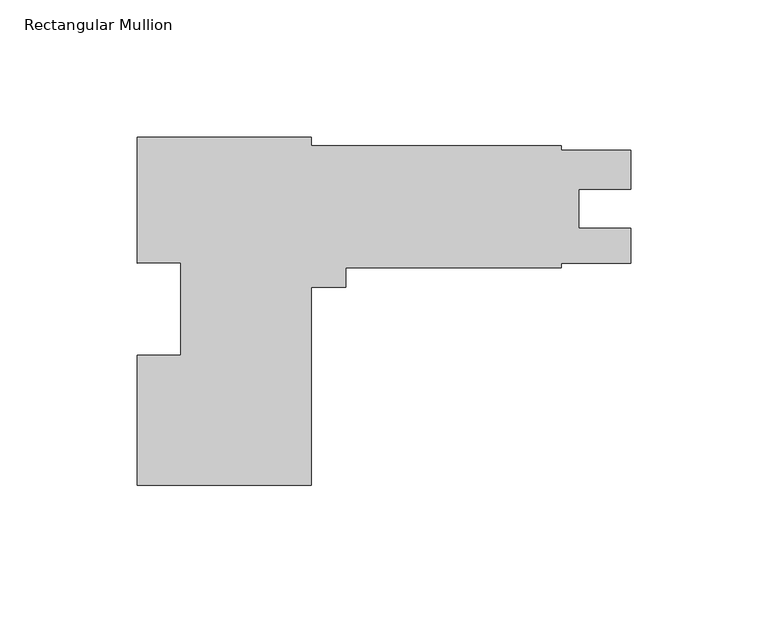
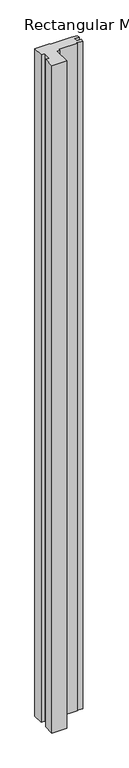
"""IFC4 building model written with IfcOpenShell, lengths in millimetres: member geometry, Rectangular Mullion."""

import ifcopenshell
import ifcopenshell.guid

model = None  # the IFC model being written
_history = None  # IfcOwnerHistory: only IFC2X3 demands one
_inside = {}  # id of a spatial element -> (the spatial element, [elements in it])
_under = {}  # id of a project, library or spatial element -> (it, [spatial elements below it])
_declared = {}  # id of a project -> (the project, [libraries it declares])
_typed = {}  # id of a type object -> (the type object, [elements of that type])
_made_of = {}  # id of a material, layer set ... -> (it, [elements and type objects made of it])


def new_model(schema):
    """Start an empty IFC model of exactly this schema.

    Asked for "IFC4X3", IfcOpenShell would pick the latest addendum, in which some entities
    have other attributes; the version numbers below select the first issue.
    IFC2X3 requires an IfcOwnerHistory on every rooted entity: one is made here for all.
    """
    global model, _history
    if schema == "IFC4X3":
        model = ifcopenshell.file(schema_version=(4, 3, 0, 0))
    else:
        model = ifcopenshell.file(schema=schema)
    _inside.clear()
    _under.clear()
    _declared.clear()
    _typed.clear()
    _made_of.clear()
    _history = None
    if model.schema == "IFC2X3":
        org = make("IfcOrganization", Name="unknown")
        user = make(
            "IfcPersonAndOrganization",
            ThePerson=make("IfcPerson", FamilyName="unknown"),
            TheOrganization=org,
        )
        app = make(
            "IfcApplication",
            ApplicationDeveloper=org,
            Version="unknown",
            ApplicationFullName="unknown",
            ApplicationIdentifier="unknown",
        )
        _history = make(
            "IfcOwnerHistory",
            OwningUser=user,
            OwningApplication=app,
            ChangeAction="ADDED",
            CreationDate=0,
        )
    return model


def make(cls, **values):
    """One entity of the class cls with the attributes given. An attribute that is None is left unset."""
    return model.create_entity(
        cls, **{name: value for name, value in values.items() if value is not None}
    )


def rooted(cls, **values):
    """An entity with a GlobalId (a new one), such as an element, a storey or a relation."""
    return make(cls, GlobalId=ifcopenshell.guid.new(), OwnerHistory=_history, **values)


def si_unit(unit_type, name, prefix=None):
    """IfcSIUnit, for example si_unit("LENGTHUNIT", "METRE", prefix="MILLI")."""
    return make("IfcSIUnit", UnitType=unit_type, Prefix=prefix, Name=name)


def assignment(units):
    """IfcUnitAssignment: the units of a project."""
    return None if units is None else make("IfcUnitAssignment", Units=units)


def point(xyz):
    """IfcCartesianPoint."""
    return None if xyz is None else make("IfcCartesianPoint", Coordinates=xyz)


def direction(xyz):
    """IfcDirection."""
    return None if xyz is None else make("IfcDirection", DirectionRatios=xyz)


def frame(location, z_axis=None, x_axis=None):
    """IfcAxis2Placement3D, a coordinate frame: its origin and axes. An axis left out is left unset."""
    return make(
        "IfcAxis2Placement3D",
        Location=point(location),
        Axis=direction(z_axis),
        RefDirection=direction(x_axis),
    )


def origin():
    """The frame at (0, 0, 0) with its axes left unset."""
    return frame((0.0, 0.0, 0.0))


def place(relative_to, where):
    """IfcLocalPlacement: puts the frame where relative to a parent placement (None: the world)."""
    return make(
        "IfcLocalPlacement", PlacementRelTo=relative_to, RelativePlacement=where
    )


def context(
    kind, dimensions, precision=None, world=None, true_north=None, identifier=None
):
    """IfcGeometricRepresentationContext, for example the 3D "Model" context."""
    return make(
        "IfcGeometricRepresentationContext",
        ContextIdentifier=identifier,
        ContextType=kind,
        CoordinateSpaceDimension=dimensions,
        Precision=precision,
        WorldCoordinateSystem=world,
        TrueNorth=true_north,
    )


def project(units=None, contexts=None):
    """IfcProject with its units and contexts."""
    return rooted(
        "IfcProject",
        Name="project",
        RepresentationContexts=contexts,
        UnitsInContext=assignment(units),
    )


def spatial(cls, under=None, at=None, **own):
    """A site, building, storey or space (cls), placed at a placement, below another one or the project."""
    s = rooted(cls, ObjectPlacement=at, **own)
    if under is not None:
        _under.setdefault(under.id(), (under, []))[1].append(s)
    return s


def polyline(points):
    """IfcPolyline through the points."""
    return make("IfcPolyline", Points=[point(p) for p in points])


def outline(outer, holes=None, kind="AREA"):
    """IfcArbitraryClosedProfileDef: a profile drawn as a closed curve; with holes, ...WithVoids."""
    if holes is None:
        return make("IfcArbitraryClosedProfileDef", ProfileType=kind, OuterCurve=outer)
    return make(
        "IfcArbitraryProfileDefWithVoids",
        ProfileType=kind,
        OuterCurve=outer,
        InnerCurves=holes,
    )


def extrude(swept, where, along, depth):
    """IfcExtrudedAreaSolid: the profile swept, set in the frame where, extruded along a direction by depth."""
    return make(
        "IfcExtrudedAreaSolid",
        SweptArea=swept,
        Position=where,
        ExtrudedDirection=direction(along),
        Depth=depth,
    )


def shape(context_of_items, identifier, shape_type, items):
    """IfcShapeRepresentation: the items that make up one representation, for example the "Body"."""
    return make(
        "IfcShapeRepresentation",
        ContextOfItems=context_of_items,
        RepresentationIdentifier=identifier,
        RepresentationType=shape_type,
        Items=items,
    )


def source(mapping_origin, context_of_items, identifier, shape_type, items):
    """IfcRepresentationMap: a shape defined once, which mapped items show again and again."""
    return make(
        "IfcRepresentationMap",
        MappingOrigin=mapping_origin,
        MappedRepresentation=shape(context_of_items, identifier, shape_type, items),
    )


def transform(
    local_origin,
    x_axis=None,
    y_axis=None,
    z_axis=None,
    scale=None,
    scale2=None,
    scale3=None,
    uniform=True,
):
    """IfcCartesianTransformationOperator3D, or its non-uniform kind. x_axis, y_axis, z_axis: its Axis1, 2, 3."""
    if uniform:
        return make(
            "IfcCartesianTransformationOperator3D",
            Axis1=direction(x_axis),
            Axis2=direction(y_axis),
            LocalOrigin=point(local_origin),
            Scale=scale,
            Axis3=direction(z_axis),
        )
    return make(
        "IfcCartesianTransformationOperator3DnonUniform",
        Axis1=direction(x_axis),
        Axis2=direction(y_axis),
        LocalOrigin=point(local_origin),
        Scale=scale,
        Axis3=direction(z_axis),
        Scale2=scale2,
        Scale3=scale3,
    )


def mapped(mapping_source, mapping_target):
    """IfcMappedItem: shows the shape of a source again, moved by a transform."""
    return make(
        "IfcMappedItem", MappingSource=mapping_source, MappingTarget=mapping_target
    )


def made_of(thing, what):
    """Note that an element or type object is made of a material, layer set ...; save() writes the relation."""
    if what is not None:
        _made_of.setdefault(what.id(), (what, []))[1].append(thing)
    return thing


def element(
    cls,
    number,
    at=None,
    inside=None,
    cuts=None,
    type_object=None,
    material=None,
    context=None,
    identifier="Body",
    shape_type=None,
    held_by="IfcProductDefinitionShape",
    body=None,
    shapes=None,
    **own,
):
    """One element of the class cls, such as IfcWall. Its Tag is "e" and its number.

    at: its placement. inside: the storey or other place that contains it. cuts: it is an
    opening in that element (IfcRelVoidsElement). A single representation is given by context,
    identifier, shape_type and body (its items); several are given by shapes. held_by: the class
    of the entity that holds the representations. save() writes the other relations.
    """
    e = rooted(cls, Tag="e%d" % number, ObjectPlacement=at, **own)
    if body is not None:
        shapes = [shape(context, identifier, shape_type, body)]
    if shapes is not None:
        e.Representation = make(held_by, Representations=shapes)
    if inside is not None:
        _inside.setdefault(inside.id(), (inside, []))[1].append(e)
    if cuts is not None:
        rooted(
            "IfcRelVoidsElement", RelatingBuildingElement=cuts, RelatedOpeningElement=e
        )
    if type_object is not None:
        _typed.setdefault(type_object.id(), (type_object, []))[1].append(e)
    return made_of(e, material)


def aggregate(whole, parts):
    """IfcRelAggregates: a whole, such as a stair, and the parts it consists of."""
    return rooted("IfcRelAggregates", RelatingObject=whole, RelatedObjects=parts)


def save(model, path):
    """Write the relations noted so far, then the file.

    IfcRelAggregates (storeys below a building ...), IfcRelContainedInSpatialStructure (elements
    in a storey), IfcRelDefinesByType, IfcRelAssociatesMaterial and IfcRelDeclares: one each for
    every whole, place, type object, material and project.
    """
    for whole, parts in _under.values():
        aggregate(whole, parts)
    for where, things in _inside.values():
        rooted(
            "IfcRelContainedInSpatialStructure",
            RelatedElements=things,
            RelatingStructure=where,
        )
    for kind, things in _typed.values():
        rooted("IfcRelDefinesByType", RelatedObjects=things, RelatingType=kind)
    for what, things in _made_of.values():
        rooted("IfcRelAssociatesMaterial", RelatedObjects=things, RelatingMaterial=what)
    for by, libraries in _declared.values():
        rooted("IfcRelDeclares", RelatingContext=by, RelatedDefinitions=libraries)
    model.write(path)


def rectangular_mullion_c5884e65(model_context):
    return source(origin(), model_context, "Body", "SweptSolid", [
        extrude(outline(polyline([(-116.68125, 63.5889), (-116.68125, 60.4139), (-25.4, 60.4139), (-25.4, 58.8263837), (0.0, 58.8263837), (0.0, 44.5643), (-19.0372991, 44.5643), (-19.0372991, 30.2768), (0.0, 30.2768), (0.0, 17.5641), (-25.4, 17.5641), (-25.4, 15.9639), (-103.98125, 15.9639), (-103.98125, 8.801227), (-116.68125, 8.801227), (-116.68125, -63.4111), (-180.18125, -63.4111), (-180.18125, -15.9512), (-164.30625, -15.9512), (-164.30625, 17.6736121), (-180.18125, 17.4795629), (-180.18125, 63.5889), (-116.68125, 63.5889)])), frame((0.0, 0.0, -3048.0), z_axis=(0.0, 0.0, 1.0), x_axis=(1.0, 0.0, 0.0)), (0.0, 0.0, 1.0), 3048.0),
    ])


if __name__ == "__main__":
    model = new_model("IFC4")
    model_context = context("Model", 3, world=origin())
    ifc_project = project(units=[si_unit("LENGTHUNIT", "METRE", prefix="MILLI")], contexts=[model_context])
    site = spatial("IfcSite", under=ifc_project)
    building = spatial("IfcBuilding", under=site)
    placement = place(None, origin())
    rectangular_mullion_shape = rectangular_mullion_c5884e65(model_context)
    element("IfcMember", 1, ObjectType="Rectangular Mullion", at=placement, inside=building, context=model_context, shape_type="MappedRepresentation", body=[
        mapped(rectangular_mullion_shape, transform((0.0, 0.0, 0.0), x_axis=(1.0, 0.0, 0.0), y_axis=(0.0, 1.0, 0.0), z_axis=(0.0, 0.0, 1.0))),
    ])
    save(model, "model.ifc")
